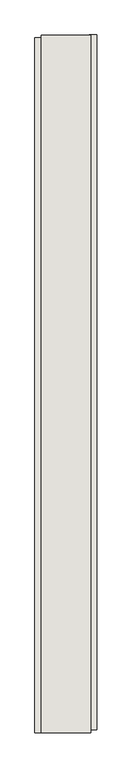
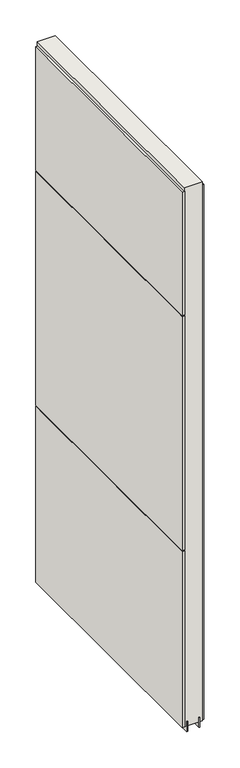
"""IFC4 building model written with IfcOpenShell, lengths in millimetres: wall geometry."""

from ifc_helpers import new_model, si_unit, frame, origin, place, context, project, spatial, polyline, outline, extrude, source, transform, mapped, element, save


def wall_5080f134(model_context):
    return source(origin(), model_context, "Body", "SweptSolid", [
        extrude(outline(polyline([(54789.4941546, -39488.1930834), (54789.4941546, -39485.6530834), (54792.0341546, -39485.6530834), (54792.0341546, -39488.1930834), (54789.4941546, -39488.1930834)])), frame((0.0, 0.0, 4419.6), z_axis=(0.0, 0.0, 1.0), x_axis=(1.0, 0.0, 0.0)), (0.0, 0.0, 1.0), 2.54),
        extrude(outline(polyline([(54841.5641546, -39485.1887968), (54841.5641546, -40626.0887248), (54828.8641546, -40626.0887248), (54828.8641546, -39485.1887968), (54841.5641546, -39485.1887968)])), frame((0.0, 0.0, 4445.0), z_axis=(0.0, 0.0, 1.0), x_axis=(1.0, 0.0, 0.0)), (0.0, 0.0, 1.0), 2545.0498756),
        extrude(outline(polyline([(54739.9641546, -40631.0186616), (54739.9641546, -39490.1187336), (54752.6641546, -39490.1187336), (54752.6641546, -40631.0186616), (54739.9641546, -40631.0186616)])), frame((0.0, 0.0, 6402.8000722), z_axis=(0.0, 0.0, 1.0), x_axis=(1.0, 0.0, 0.0)), (0.0, 0.0, 1.0), 587.2498034),
        extrude(outline(polyline([(54739.9641546, -40631.0186616), (54739.9641546, -39490.1187336), (54752.6641546, -39490.1187336), (54752.6641546, -40631.0186616), (54739.9641546, -40631.0186616)])), frame((0.0, 0.0, 5285.2000722), z_axis=(0.0, 0.0, 1.0), x_axis=(1.0, 0.0, 0.0)), (0.0, 0.0, 1.0), 1113.5999572),
        extrude(outline(polyline([(54739.9641546, -40631.0186616), (54739.9641546, -39490.1187336), (54752.6641546, -39490.1187336), (54752.6641546, -40631.0186616), (54739.9641546, -40631.0186616)])), frame((0.0, 0.0, 4445.0), z_axis=(0.0, 0.0, 1.0), x_axis=(1.0, 0.0, 0.0)), (0.0, 0.0, 1.0), 836.200004),
        extrude(outline(polyline([(54815.8417016, -40630.5525208), (54815.8417016, -39485.6456666), (54820.920457, -39485.6456666), (54820.920457, -40630.5525208), (54815.8417016, -40630.5525208)])), frame((0.0, 0.0, 4418.6602), z_axis=(0.0, 0.0, 1.0), x_axis=(1.0, 0.0, 0.0)), (0.0, 0.0, 1.0), 47.625),
        extrude(outline(polyline([(54815.8417016, -40630.5525208), (54815.8417016, -39485.6456666), (54820.920457, -39485.6456666), (54820.920457, -40630.5525208), (54815.8417016, -40630.5525208)])), frame((0.0, 0.0, 4418.6602), z_axis=(0.0, 0.0, 1.0), x_axis=(1.0, 0.0, 0.0)), (0.0, 0.0, 1.0), 47.625),
        extrude(outline(polyline([(54765.6742124, -39485.6456666), (54765.6742124, -40630.5525208), (54760.595457, -40630.5525208), (54760.595457, -39485.6456666), (54765.6742124, -39485.6456666)])), frame((0.0, 0.0, 4418.6602), z_axis=(0.0, 0.0, 1.0), x_axis=(1.0, 0.0, 0.0)), (0.0, 0.0, 1.0), 47.625),
        extrude(outline(polyline([(54765.6742124, -39485.6456666), (54765.6742124, -40630.5525208), (54760.595457, -40630.5525208), (54760.595457, -39485.6456666), (54765.6742124, -39485.6456666)])), frame((0.0, 0.0, 4418.6602), z_axis=(0.0, 0.0, 1.0), x_axis=(1.0, 0.0, 0.0)), (0.0, 0.0, 1.0), 47.625),
        extrude(outline(polyline([(54831.4128414, -40630.5525208), (54750.134086, -40630.5525208), (54750.134086, -39485.6456666), (54831.4128414, -39485.6456666), (54831.4128414, -40630.5525208)])), frame((0.0, 0.0, 4445.0), z_axis=(0.0, 0.0, 1.0), x_axis=(1.0, 0.0, 0.0)), (0.0, 0.0, 1.0), 2562.4536762),
    ])


if __name__ == "__main__":
    model = new_model("IFC4")
    model_context = context("Model", 3, world=origin())
    ifc_project = project(units=[si_unit("LENGTHUNIT", "METRE", prefix="MILLI")], contexts=[model_context])
    site = spatial("IfcSite", under=ifc_project)
    building = spatial("IfcBuilding", under=site)
    placement = place(None, origin())
    wall_shape = wall_5080f134(model_context)
    element("IfcWall", 1, at=placement, inside=building, context=model_context, shape_type="MappedRepresentation", body=[
        mapped(wall_shape, transform((0.0, 0.0, 0.0), x_axis=(1.0, 0.0, 0.0), y_axis=(0.0, 1.0, 0.0), z_axis=(0.0, 0.0, 1.0))),
    ])
    save(model, "model.ifc")
